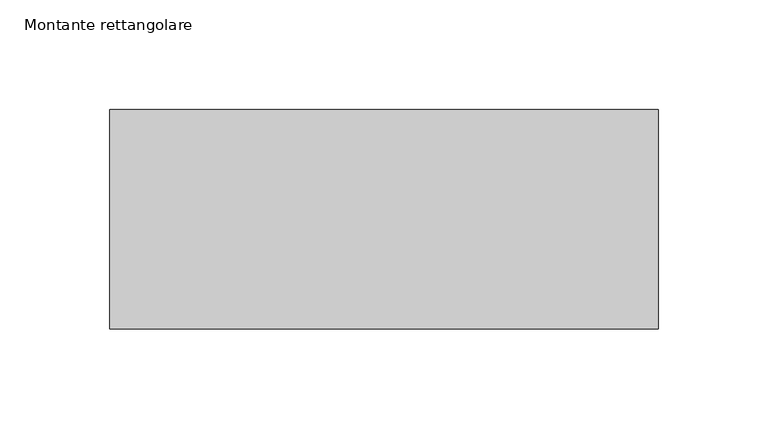
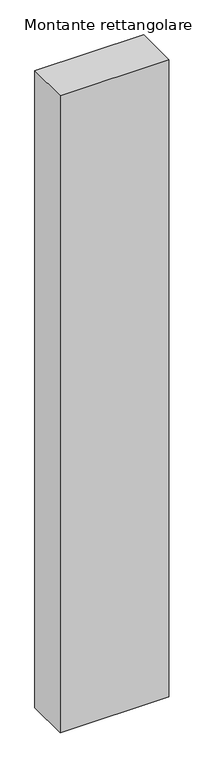
"""IFC4 building model written with IfcOpenShell, lengths in millimetres: member geometry, Montante rettangolare."""

from ifc_helpers import new_model, si_unit, frame, origin, place, context, project, spatial, polyline, outline, extrude, source, transform, mapped, element, save


def montante_rettangolare_97d0a838(model_context):
    return source(origin(), model_context, "Body", "SweptSolid", [
        extrude(outline(polyline([(125.0, 50.0), (125.0, -50.0), (-125.0, -50.0), (-125.0, 50.0), (125.0, 50.0)])), frame((0.0, 0.0, -1549.1528073), z_axis=(0.0, 0.0, 1.0), x_axis=(1.0, 0.0, 0.0)), (0.0, 0.0, 1.0), 1549.1528073),
    ])


if __name__ == "__main__":
    model = new_model("IFC4")
    model_context = context("Model", 3, world=origin())
    ifc_project = project(units=[si_unit("LENGTHUNIT", "METRE", prefix="MILLI")], contexts=[model_context])
    site = spatial("IfcSite", under=ifc_project)
    building = spatial("IfcBuilding", under=site)
    placement = place(None, origin())
    montante_rettangolare_shape = montante_rettangolare_97d0a838(model_context)
    element("IfcMember", 1, ObjectType="Montante rettangolare", at=placement, inside=building, context=model_context, shape_type="MappedRepresentation", body=[
        mapped(montante_rettangolare_shape, transform((0.0, 0.0, 0.0), x_axis=(1.0, 0.0, 0.0), y_axis=(0.0, 1.0, 0.0), z_axis=(0.0, 0.0, 1.0))),
    ])
    save(model, "model.ifc")
